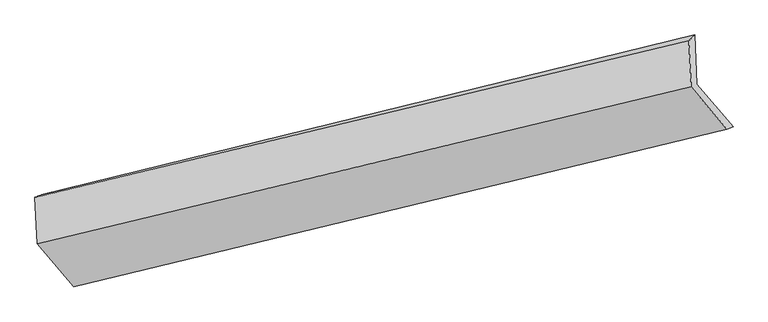
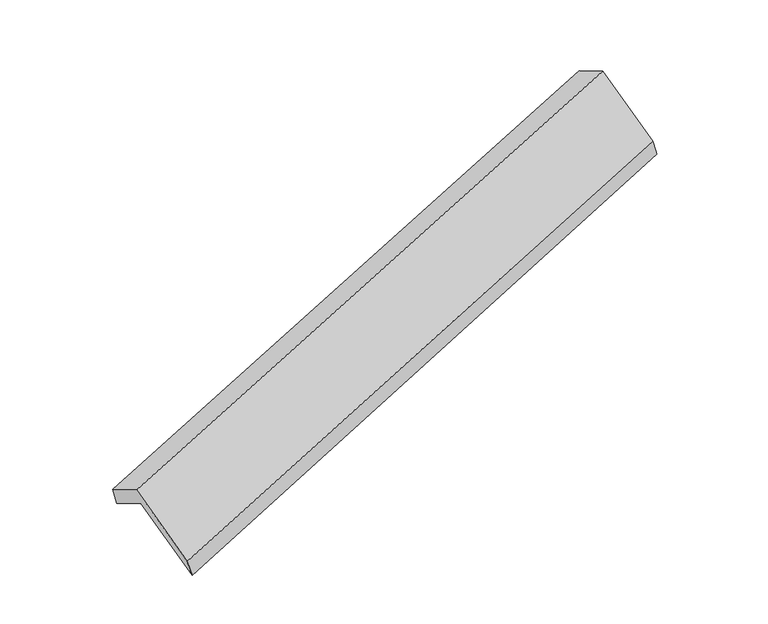
"""IFC4 building model written with IfcOpenShell, lengths in millimetres: proxy geometry."""

from ifc_helpers import new_model, si_unit, frame, origin, place, context, project, spatial, source, transform, mapped, element, save
from ifc_brep_helpers import plane_surface, spline_surface, advanced_brep


def generic_models_60adc4c5(model_context):
    return source(origin(), model_context, "Body", "AdvancedBrep", [
        advanced_brep(
        [(-4941.1357535, -2359.4885341, 810.1131072), (-5197.1937726, -2056.2072101, 1356.9564065), (-639.8962851, -957.5959628, 2843.4389221), (-387.964234, -1255.9903905, 2305.4071333), (-5213.1321978, -1730.2389753, 1168.7100852), (-656.6807951, -614.32384, 2645.1996231), (-5258.1667428, -1747.1679826, 1315.7505123), (-695.9932319, -656.4229369, 2793.3331774), (-5242.3689248, -2070.2605573, 1502.3361429), (-680.3039356, -977.2960547, 2978.6370739), (-4988.1781397, -2371.3302842, 959.4805508), (-431.2171493, -1272.3204817, 2446.681697)],
        [
            (0, 1),
            (1, 2),
            (2, 3),
            (3, 0),
            (1, 4),
            (4, 5),
            (5, 2),
            (4, 6),
            (6, 7),
            (7, 5),
            (6, 8),
            (8, 9),
            (9, 7),
            (8, 10),
            (10, 11),
            (11, 9),
            (10, 0),
            (3, 11),
        ],
        [
            plane_surface(frame((-5069.164763, -2207.8478721, 1083.5347569), z_axis=(-0.045123755406927035, 0.8645084313395788, -0.5005886723056735), x_axis=(-0.3789470906152359, 0.448834118936226, 0.8092879810011947))),
            plane_surface(frame((-5205.1629852, -1893.2230927, 1262.8332458), z_axis=(0.37313334265382014, -0.4502295028671665, -0.8112119965508221), x_axis=(-0.042304233385139806, 0.8651943999496418, -0.4996488788474111))),
            spline_surface(1, 1, [[(-5213.1321978, -1730.2389753, 1168.7100852), (-656.6807951, -614.32384, 2645.1996231)], [(-5258.1667428, -1747.1679826, 1315.7505123), (-695.9932319, -656.4229369, 2793.3331774)]], [2, 2], [2, 2], [0.0, 1.0], [0.0, 1.0]),
            plane_surface(frame((-5250.2678338, -1908.71427, 1409.0433276), z_axis=(-0.3707612314480894, 0.4507927414292958, 0.811986461420236), x_axis=(0.04230423338509644, -0.8651943999496425, 0.49964887884741366))),
            plane_surface(frame((-5115.2735322, -2220.7954207, 1230.9083468), z_axis=(0.045123755406929034, -0.86450843133958, 0.5005886723056712), x_axis=(0.378947090615234, -0.4488341189362236, -0.8092879810011968))),
            spline_surface(1, 1, [[(-4988.1781397, -2371.3302842, 959.4805508), (-431.2171493, -1272.3204817, 2446.681697)], [(-4941.1357535, -2359.4885341, 810.1131072), (-387.964234, -1255.9903905, 2305.4071333)]], [2, 2], [2, 2], [0.0, 1.0], [0.0, 1.0]),
            plane_surface(frame((-582.0092718, -955.6582778, 2668.7829378), z_axis=(0.9244508934237388, 0.22357679659242385, 0.3088753173588353), x_axis=(0.378947090615234, -0.4488341189362236, -0.8092879810011968))),
            plane_surface(frame((-5140.0292552, -2055.7822573, 1185.5578008), z_axis=(-0.9244508934237367, -0.2235767965924506, -0.30887531735882245), x_axis=(-0.29954283808558146, -0.07540245528724208, 0.9510986057650861))),
        ],
        [
            (0, [[1, 2, 3, 4]]),
            (1, [[5, 6, 7, -2]]),
            (2, [[8, 9, 10, -6]]),
            (3, [[11, 12, 13, -9]]),
            (4, [[14, 15, 16, -12]]),
            (5, [[17, -4, 18, -15]]),
            (6, [[-16, -18, -3, -7, -10, -13]]),
            (7, [[-17, -14, -11, -8, -5, -1]]),
        ],
    ),
    ])


if __name__ == "__main__":
    model = new_model("IFC4")
    model_context = context("Model", 3, world=origin())
    ifc_project = project(units=[si_unit("LENGTHUNIT", "METRE", prefix="MILLI")], contexts=[model_context])
    site = spatial("IfcSite", under=ifc_project)
    building = spatial("IfcBuilding", under=site)
    placement = place(None, origin())
    generic_models_shape = generic_models_60adc4c5(model_context)
    element("IfcBuildingElementProxy", 1, Name="Generic Models", at=placement, inside=building, context=model_context, shape_type="MappedRepresentation", body=[
        mapped(generic_models_shape, transform((0.0, 0.0, 0.0), x_axis=(1.0, 0.0, 0.0), y_axis=(0.0, 1.0, 0.0), z_axis=(0.0, 0.0, 1.0))),
    ])
    save(model, "model.ifc")
